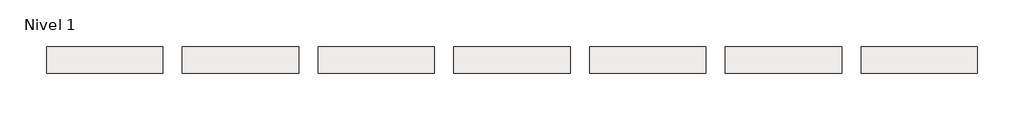
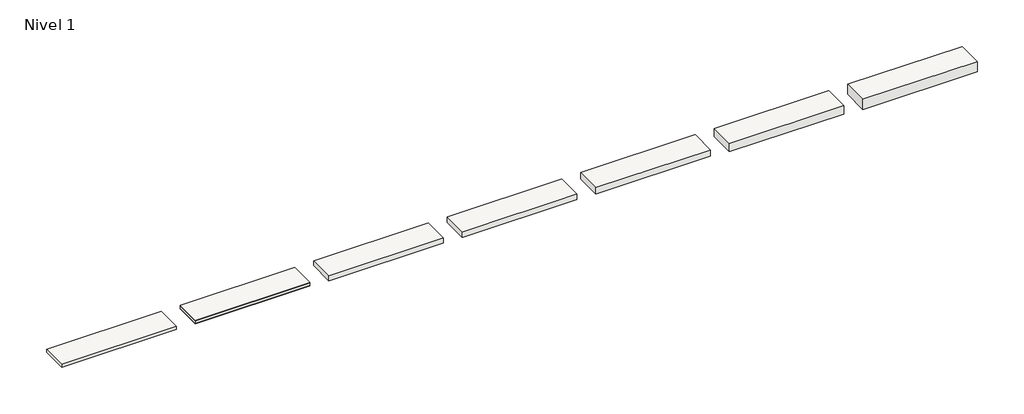
# One storey: 7 slabs.
"""IFC4 building model written with IfcOpenShell, lengths in millimetres."""

from ifc_helpers import new_model, si_unit, frame, origin, place, context, project, spatial, polyline, outline, extrude, element, save

model = new_model("IFC4")

# Units and contexts
model_context = context("Model", 3, world=origin())
ifc_project = project(units=[si_unit("LENGTHUNIT", "METRE", prefix="MILLI")], contexts=[model_context])

# Site, building, storey
site = spatial("IfcSite", under=ifc_project)
building = spatial("IfcBuilding", under=site)
storey = spatial("IfcBuildingStorey", under=building, Name="Nivel 1", Elevation=0.0)

# Slabs
placement = place(None, origin())
element("IfcSlab", 1, at=placement, inside=storey, context=model_context, shape_type="SweptSolid", body=[
    extrude(outline(polyline([(1184.4345966, -2901.6608764), (1184.4345966, -3451.6608764), (-1215.5654034, -3451.6608764), (-1215.5654034, -2901.6608764), (1184.4345966, -2901.6608764)])), frame((0.0, 0.0, -12.5), z_axis=(0.0, 0.0, 1.0), x_axis=(1.0, 0.0, 0.0)), (0.0, 0.0, 1.0), 12.5),
    extrude(outline(polyline([(1184.4345966, -2901.6608764), (1184.4345966, -3451.6608764), (-1215.5654034, -3451.6608764), (-1215.5654034, -2901.6608764), (1184.4345966, -2901.6608764)])), frame((0.0, 0.0, -72.5), z_axis=(0.0, 0.0, 1.0), x_axis=(1.0, 0.0, 0.0)), (0.0, 0.0, 1.0), 60.0),
    extrude(outline(polyline([(1184.4345966, -2901.6608764), (1184.4345966, -3451.6608764), (-1215.5654034, -3451.6608764), (-1215.5654034, -2901.6608764), (1184.4345966, -2901.6608764)])), frame((0.0, 0.0, -82.5), z_axis=(0.0, 0.0, 1.0), x_axis=(1.0, 0.0, 0.0)), (0.0, 0.0, 1.0), 10.0),
])
element("IfcSlab", 2, at=placement, inside=storey, context=model_context, shape_type="SweptSolid", body=[
    extrude(outline(polyline([(-1615.5654034, -2901.6608764), (-1615.5654034, -3451.6608764), (-4015.5654034, -3451.6608764), (-4015.5654034, -2901.6608764), (-1615.5654034, -2901.6608764)])), frame((0.0, 0.0, -62.5), z_axis=(0.0, 0.0, 1.0), x_axis=(1.0, 0.0, 0.0)), (0.0, 0.0, 1.0), 62.5),
])
element("IfcSlab", 3, at=placement, inside=storey, context=model_context, shape_type="SweptSolid", body=[
    extrude(outline(polyline([(3984.4345966, -2901.6608764), (3984.4345966, -3451.6608764), (1584.4345966, -3451.6608764), (1584.4345966, -2901.6608764), (3984.4345966, -2901.6608764)])), frame((0.0, 0.0, -102.5), z_axis=(0.0, 0.0, 1.0), x_axis=(1.0, 0.0, 0.0)), (0.0, 0.0, 1.0), 102.5),
])
element("IfcSlab", 4, at=placement, inside=storey, context=model_context, shape_type="SweptSolid", body=[
    extrude(outline(polyline([(6784.4345966, -2901.6608764), (6784.4345966, -3451.6608764), (4384.4345966, -3451.6608764), (4384.4345966, -2901.6608764), (6784.4345966, -2901.6608764)])), frame((0.0, 0.0, -122.5), z_axis=(0.0, 0.0, 1.0), x_axis=(1.0, 0.0, 0.0)), (0.0, 0.0, 1.0), 122.5),
])
element("IfcSlab", 5, at=placement, inside=storey, context=model_context, shape_type="SweptSolid", body=[
    extrude(outline(polyline([(9584.4345966, -2901.6608764), (9584.4345966, -3451.6608764), (7184.4345966, -3451.6608764), (7184.4345966, -2901.6608764), (9584.4345966, -2901.6608764)])), frame((0.0, 0.0, -142.5), z_axis=(0.0, 0.0, 1.0), x_axis=(1.0, 0.0, 0.0)), (0.0, 0.0, 1.0), 142.5),
])
element("IfcSlab", 6, at=placement, inside=storey, context=model_context, shape_type="SweptSolid", body=[
    extrude(outline(polyline([(12384.4345966, -2901.6608764), (12384.4345966, -3451.6608764), (9984.4345966, -3451.6608764), (9984.4345966, -2901.6608764), (12384.4345966, -2901.6608764)])), frame((0.0, 0.0, -182.5), z_axis=(0.0, 0.0, 1.0), x_axis=(1.0, 0.0, 0.0)), (0.0, 0.0, 1.0), 182.5),
])
element("IfcSlab", 7, at=placement, inside=storey, context=model_context, shape_type="SweptSolid", body=[
    extrude(outline(polyline([(15184.4345966, -2901.6608764), (15184.4345966, -3451.6608764), (12784.4345966, -3451.6608764), (12784.4345966, -2901.6608764), (15184.4345966, -2901.6608764)])), frame((0.0, 0.0, -222.5), z_axis=(0.0, 0.0, 1.0), x_axis=(1.0, 0.0, 0.0)), (0.0, 0.0, 1.0), 222.5),
])

save(model, "model.ifc")
